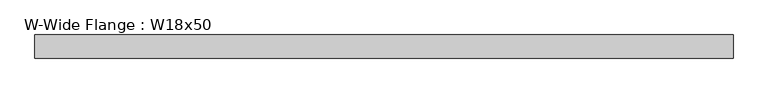
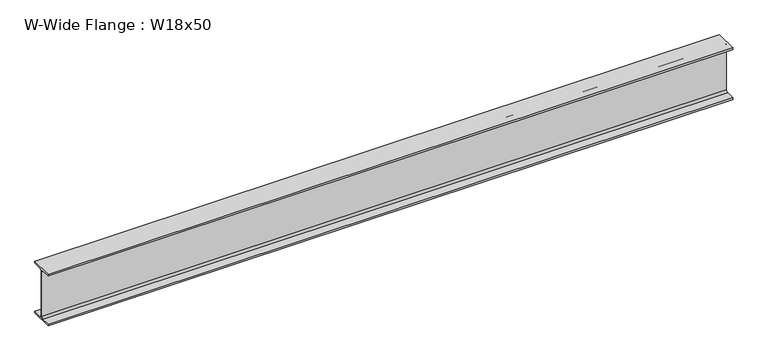
"""IFC4 building model written with IfcOpenShell, lengths in millimetres: beam geometry, W-Wide Flange : W18x50."""

from ifc_helpers import new_model, si_unit, point, frame, frame_2d, origin, place, context, project, spatial, polyline, circle_curve, trimmed, segment, composite_curve, outline, extrude, source, transform, mapped, element, save


def w_wide_flange_w18x50_66c01b90(model_context):
    return source(origin(), model_context, "Body", "SweptSolid", [
        extrude(outline(composite_curve([segment(polyline([(95.25, -214.122), (95.25, -228.6), (-95.25, -228.6), (-95.25, -214.122), (-21.7805, -214.122)]), True, "CONTINUOUS"), segment(trimmed(circle_curve(frame_2d((-21.7805, -196.85)), 17.272), [point((-21.7805, -214.122))], [point((-4.5085, -196.85))], True, "CARTESIAN"), True, "CONTINUOUS"), segment(polyline([(-4.5085, -196.85), (-4.5085, 196.85)]), True, "CONTINUOUS"), segment(trimmed(circle_curve(frame_2d((-21.7805, 196.85)), 17.272), [point((-4.5085, 196.85))], [point((-21.7805, 214.122))], True, "CARTESIAN"), True, "CONTINUOUS"), segment(polyline([(-21.7805, 214.122), (-95.25, 214.122), (-95.25, 228.6), (95.25, 228.6), (95.25, 214.122), (21.7805, 214.122)]), True, "CONTINUOUS"), segment(trimmed(circle_curve(frame_2d((21.7805, 196.85)), 17.272), [point((21.7805, 214.122))], [point((4.5085, 196.85))], True, "CARTESIAN"), True, "CONTINUOUS"), segment(polyline([(4.5085, 196.85), (4.5085, -196.85)]), True, "CONTINUOUS"), segment(trimmed(circle_curve(frame_2d((21.7805, -196.85)), 17.272), [point((4.5085, -196.85))], [point((21.7805, -214.122))], True, "CARTESIAN"), True, "CONTINUOUS"), segment(polyline([(21.7805, -214.122), (95.25, -214.122)]), True, "CONTINUOUS")], self_intersect=False)), frame((-2871.47, 0.0, 0.0), z_axis=(1.0, 0.0, 0.0), x_axis=(0.0, 1.0, 0.0)), (0.0, 0.0, 1.0), 5742.94),
    ])


if __name__ == "__main__":
    model = new_model("IFC4")
    model_context = context("Model", 3, world=origin())
    ifc_project = project(units=[si_unit("LENGTHUNIT", "METRE", prefix="MILLI")], contexts=[model_context])
    site = spatial("IfcSite", under=ifc_project)
    building = spatial("IfcBuilding", under=site)
    placement = place(None, origin())
    w_wide_flange_w18x50_shape = w_wide_flange_w18x50_66c01b90(model_context)
    element("IfcBeam", 1, ObjectType="W-Wide Flange : W18x50", at=placement, inside=building, context=model_context, shape_type="MappedRepresentation", body=[
        mapped(w_wide_flange_w18x50_shape, transform((0.0, 0.0, 0.0), x_axis=(1.0, 0.0, 0.0), y_axis=(0.0, 1.0, 0.0), z_axis=(0.0, 0.0, 1.0))),
    ])
    save(model, "model.ifc")
